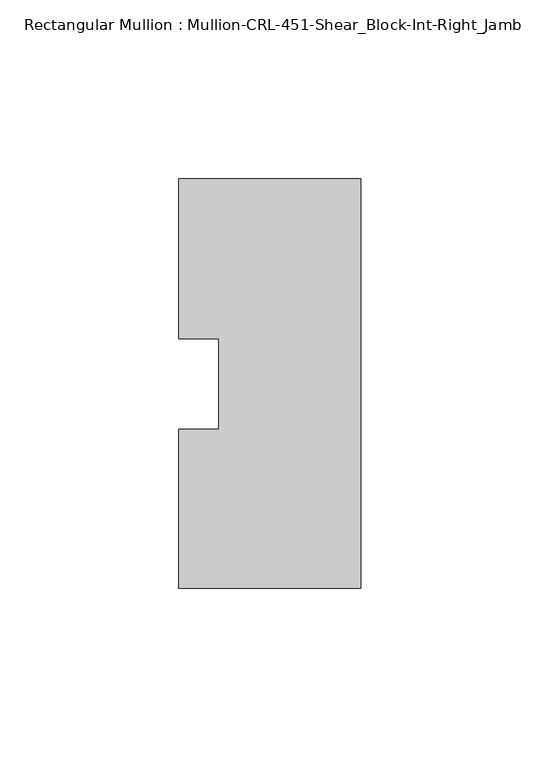
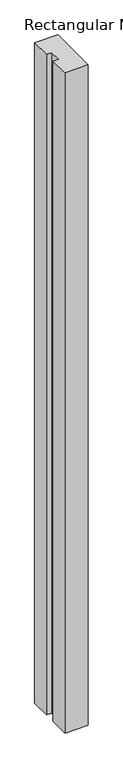
"""IFC4 building model written with IfcOpenShell, lengths in millimetres: member geometry, Rectangular Mullion : Mullion-CRL-451-Shear_Block-Int-Right_Jamb."""

import ifcopenshell
import ifcopenshell.guid

model = None  # the IFC model being written
_history = None  # IfcOwnerHistory: only IFC2X3 demands one
_inside = {}  # id of a spatial element -> (the spatial element, [elements in it])
_under = {}  # id of a project, library or spatial element -> (it, [spatial elements below it])
_declared = {}  # id of a project -> (the project, [libraries it declares])
_typed = {}  # id of a type object -> (the type object, [elements of that type])
_made_of = {}  # id of a material, layer set ... -> (it, [elements and type objects made of it])


def new_model(schema):
    """Start an empty IFC model of exactly this schema.

    Asked for "IFC4X3", IfcOpenShell would pick the latest addendum, in which some entities
    have other attributes; the version numbers below select the first issue.
    IFC2X3 requires an IfcOwnerHistory on every rooted entity: one is made here for all.
    """
    global model, _history
    if schema == "IFC4X3":
        model = ifcopenshell.file(schema_version=(4, 3, 0, 0))
    else:
        model = ifcopenshell.file(schema=schema)
    _inside.clear()
    _under.clear()
    _declared.clear()
    _typed.clear()
    _made_of.clear()
    _history = None
    if model.schema == "IFC2X3":
        org = make("IfcOrganization", Name="unknown")
        user = make(
            "IfcPersonAndOrganization",
            ThePerson=make("IfcPerson", FamilyName="unknown"),
            TheOrganization=org,
        )
        app = make(
            "IfcApplication",
            ApplicationDeveloper=org,
            Version="unknown",
            ApplicationFullName="unknown",
            ApplicationIdentifier="unknown",
        )
        _history = make(
            "IfcOwnerHistory",
            OwningUser=user,
            OwningApplication=app,
            ChangeAction="ADDED",
            CreationDate=0,
        )
    return model


def make(cls, **values):
    """One entity of the class cls with the attributes given. An attribute that is None is left unset."""
    return model.create_entity(
        cls, **{name: value for name, value in values.items() if value is not None}
    )


def rooted(cls, **values):
    """An entity with a GlobalId (a new one), such as an element, a storey or a relation."""
    return make(cls, GlobalId=ifcopenshell.guid.new(), OwnerHistory=_history, **values)


def si_unit(unit_type, name, prefix=None):
    """IfcSIUnit, for example si_unit("LENGTHUNIT", "METRE", prefix="MILLI")."""
    return make("IfcSIUnit", UnitType=unit_type, Prefix=prefix, Name=name)


def assignment(units):
    """IfcUnitAssignment: the units of a project."""
    return None if units is None else make("IfcUnitAssignment", Units=units)


def point(xyz):
    """IfcCartesianPoint."""
    return None if xyz is None else make("IfcCartesianPoint", Coordinates=xyz)


def direction(xyz):
    """IfcDirection."""
    return None if xyz is None else make("IfcDirection", DirectionRatios=xyz)


def frame(location, z_axis=None, x_axis=None):
    """IfcAxis2Placement3D, a coordinate frame: its origin and axes. An axis left out is left unset."""
    return make(
        "IfcAxis2Placement3D",
        Location=point(location),
        Axis=direction(z_axis),
        RefDirection=direction(x_axis),
    )


def origin():
    """The frame at (0, 0, 0) with its axes left unset."""
    return frame((0.0, 0.0, 0.0))


def place(relative_to, where):
    """IfcLocalPlacement: puts the frame where relative to a parent placement (None: the world)."""
    return make(
        "IfcLocalPlacement", PlacementRelTo=relative_to, RelativePlacement=where
    )


def context(
    kind, dimensions, precision=None, world=None, true_north=None, identifier=None
):
    """IfcGeometricRepresentationContext, for example the 3D "Model" context."""
    return make(
        "IfcGeometricRepresentationContext",
        ContextIdentifier=identifier,
        ContextType=kind,
        CoordinateSpaceDimension=dimensions,
        Precision=precision,
        WorldCoordinateSystem=world,
        TrueNorth=true_north,
    )


def project(units=None, contexts=None):
    """IfcProject with its units and contexts."""
    return rooted(
        "IfcProject",
        Name="project",
        RepresentationContexts=contexts,
        UnitsInContext=assignment(units),
    )


def spatial(cls, under=None, at=None, **own):
    """A site, building, storey or space (cls), placed at a placement, below another one or the project."""
    s = rooted(cls, ObjectPlacement=at, **own)
    if under is not None:
        _under.setdefault(under.id(), (under, []))[1].append(s)
    return s


def polyline(points):
    """IfcPolyline through the points."""
    return make("IfcPolyline", Points=[point(p) for p in points])


def outline(outer, holes=None, kind="AREA"):
    """IfcArbitraryClosedProfileDef: a profile drawn as a closed curve; with holes, ...WithVoids."""
    if holes is None:
        return make("IfcArbitraryClosedProfileDef", ProfileType=kind, OuterCurve=outer)
    return make(
        "IfcArbitraryProfileDefWithVoids",
        ProfileType=kind,
        OuterCurve=outer,
        InnerCurves=holes,
    )


def extrude(swept, where, along, depth):
    """IfcExtrudedAreaSolid: the profile swept, set in the frame where, extruded along a direction by depth."""
    return make(
        "IfcExtrudedAreaSolid",
        SweptArea=swept,
        Position=where,
        ExtrudedDirection=direction(along),
        Depth=depth,
    )


def shape(context_of_items, identifier, shape_type, items):
    """IfcShapeRepresentation: the items that make up one representation, for example the "Body"."""
    return make(
        "IfcShapeRepresentation",
        ContextOfItems=context_of_items,
        RepresentationIdentifier=identifier,
        RepresentationType=shape_type,
        Items=items,
    )


def source(mapping_origin, context_of_items, identifier, shape_type, items):
    """IfcRepresentationMap: a shape defined once, which mapped items show again and again."""
    return make(
        "IfcRepresentationMap",
        MappingOrigin=mapping_origin,
        MappedRepresentation=shape(context_of_items, identifier, shape_type, items),
    )


def transform(
    local_origin,
    x_axis=None,
    y_axis=None,
    z_axis=None,
    scale=None,
    scale2=None,
    scale3=None,
    uniform=True,
):
    """IfcCartesianTransformationOperator3D, or its non-uniform kind. x_axis, y_axis, z_axis: its Axis1, 2, 3."""
    if uniform:
        return make(
            "IfcCartesianTransformationOperator3D",
            Axis1=direction(x_axis),
            Axis2=direction(y_axis),
            LocalOrigin=point(local_origin),
            Scale=scale,
            Axis3=direction(z_axis),
        )
    return make(
        "IfcCartesianTransformationOperator3DnonUniform",
        Axis1=direction(x_axis),
        Axis2=direction(y_axis),
        LocalOrigin=point(local_origin),
        Scale=scale,
        Axis3=direction(z_axis),
        Scale2=scale2,
        Scale3=scale3,
    )


def mapped(mapping_source, mapping_target):
    """IfcMappedItem: shows the shape of a source again, moved by a transform."""
    return make(
        "IfcMappedItem", MappingSource=mapping_source, MappingTarget=mapping_target
    )


def made_of(thing, what):
    """Note that an element or type object is made of a material, layer set ...; save() writes the relation."""
    if what is not None:
        _made_of.setdefault(what.id(), (what, []))[1].append(thing)
    return thing


def element(
    cls,
    number,
    at=None,
    inside=None,
    cuts=None,
    type_object=None,
    material=None,
    context=None,
    identifier="Body",
    shape_type=None,
    held_by="IfcProductDefinitionShape",
    body=None,
    shapes=None,
    **own,
):
    """One element of the class cls, such as IfcWall. Its Tag is "e" and its number.

    at: its placement. inside: the storey or other place that contains it. cuts: it is an
    opening in that element (IfcRelVoidsElement). A single representation is given by context,
    identifier, shape_type and body (its items); several are given by shapes. held_by: the class
    of the entity that holds the representations. save() writes the other relations.
    """
    e = rooted(cls, Tag="e%d" % number, ObjectPlacement=at, **own)
    if body is not None:
        shapes = [shape(context, identifier, shape_type, body)]
    if shapes is not None:
        e.Representation = make(held_by, Representations=shapes)
    if inside is not None:
        _inside.setdefault(inside.id(), (inside, []))[1].append(e)
    if cuts is not None:
        rooted(
            "IfcRelVoidsElement", RelatingBuildingElement=cuts, RelatedOpeningElement=e
        )
    if type_object is not None:
        _typed.setdefault(type_object.id(), (type_object, []))[1].append(e)
    return made_of(e, material)


def aggregate(whole, parts):
    """IfcRelAggregates: a whole, such as a stair, and the parts it consists of."""
    return rooted("IfcRelAggregates", RelatingObject=whole, RelatedObjects=parts)


def save(model, path):
    """Write the relations noted so far, then the file.

    IfcRelAggregates (storeys below a building ...), IfcRelContainedInSpatialStructure (elements
    in a storey), IfcRelDefinesByType, IfcRelAssociatesMaterial and IfcRelDeclares: one each for
    every whole, place, type object, material and project.
    """
    for whole, parts in _under.values():
        aggregate(whole, parts)
    for where, things in _inside.values():
        rooted(
            "IfcRelContainedInSpatialStructure",
            RelatedElements=things,
            RelatingStructure=where,
        )
    for kind, things in _typed.values():
        rooted("IfcRelDefinesByType", RelatedObjects=things, RelatingType=kind)
    for what, things in _made_of.values():
        rooted("IfcRelAssociatesMaterial", RelatedObjects=things, RelatingMaterial=what)
    for by, libraries in _declared.values():
        rooted("IfcRelDeclares", RelatingContext=by, RelatedDefinitions=libraries)
    model.write(path)


def rectangular_mullion_mullion_crl_451_shear_block_int_right_5fad3759(model_context):
    return source(origin(), model_context, "Body", "SweptSolid", [
        extrude(outline(polyline([(0.0, -57.15), (-50.8, -57.15), (-50.8, -12.8430761), (-39.6875, -12.8430761), (-39.6875, 12.5476134), (-50.8, 12.5476134), (-50.8, 57.15), (0.0, 57.15), (0.0, -57.15)])), frame((0.0, 0.0, -1524.0), z_axis=(0.0, 0.0, 1.0), x_axis=(1.0, 0.0, 0.0)), (0.0, 0.0, 1.0), 1524.0),
    ])


if __name__ == "__main__":
    model = new_model("IFC4")
    model_context = context("Model", 3, world=origin())
    ifc_project = project(units=[si_unit("LENGTHUNIT", "METRE", prefix="MILLI")], contexts=[model_context])
    site = spatial("IfcSite", under=ifc_project)
    building = spatial("IfcBuilding", under=site)
    placement = place(None, origin())
    rectangular_mullion_mullion_crl_451_shear_block_int_right_shape = rectangular_mullion_mullion_crl_451_shear_block_int_right_5fad3759(model_context)
    element("IfcMember", 1, ObjectType="Rectangular Mullion : Mullion-CRL-451-Shear_Block-Int-Right_Jamb", at=placement, inside=building, context=model_context, shape_type="MappedRepresentation", body=[
        mapped(rectangular_mullion_mullion_crl_451_shear_block_int_right_shape, transform((0.0, 0.0, 0.0), x_axis=(1.0, 0.0, 0.0), y_axis=(0.0, 1.0, 0.0), z_axis=(0.0, 0.0, 1.0))),
    ])
    save(model, "model.ifc")
